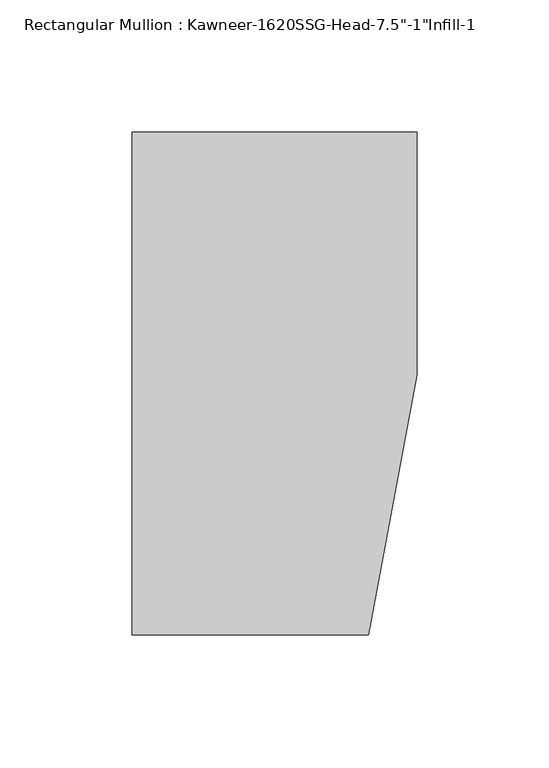
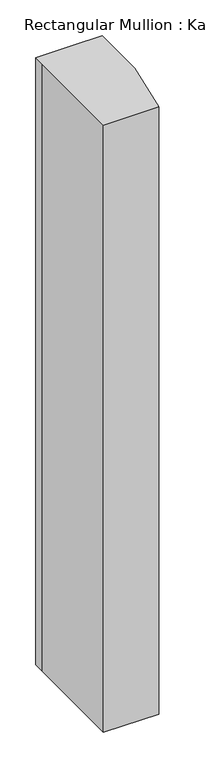
"""IFC4 building model written with IfcOpenShell, lengths in millimetres: member geometry."""

from ifc_helpers import new_model, si_unit, frame, origin, place, context, project, spatial, polyline, outline, extrude, source, transform, mapped, element, save


def member_bc6d65e0(model_context):
    return source(origin(), model_context, "Body", "SweptSolid", [
        extrude(outline(polyline([(-107.95, 19.9095466), (-107.95, 38.1), (-44.1519366, 38.1), (0.0, 38.1), (0.0, -53.975), (-18.3538271, -152.4), (-107.95, -152.4), (-107.95, 19.9095466)])), frame((0.0, 0.0, -1041.0761475), z_axis=(0.0, 0.0, 1.0), x_axis=(1.0, 0.0, 0.0)), (0.0, 0.0, 1.0), 1041.0761475),
    ])


if __name__ == "__main__":
    model = new_model("IFC4")
    model_context = context("Model", 3, world=origin())
    ifc_project = project(units=[si_unit("LENGTHUNIT", "METRE", prefix="MILLI")], contexts=[model_context])
    site = spatial("IfcSite", under=ifc_project)
    building = spatial("IfcBuilding", under=site)
    placement = place(None, origin())
    member_shape = member_bc6d65e0(model_context)
    element("IfcMember", 1, ObjectType="Rectangular Mullion : Kawneer-1620SSG-Head-7.5\"-1\"Infill-1", at=placement, inside=building, context=model_context, shape_type="MappedRepresentation", body=[
        mapped(member_shape, transform((0.0, 0.0, 0.0), x_axis=(1.0, 0.0, 0.0), y_axis=(0.0, 1.0, 0.0), z_axis=(0.0, 0.0, 1.0))),
    ])
    save(model, "model.ifc")
